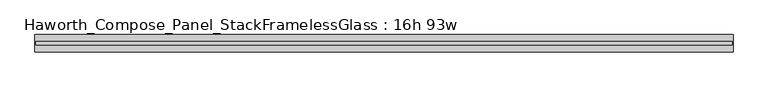
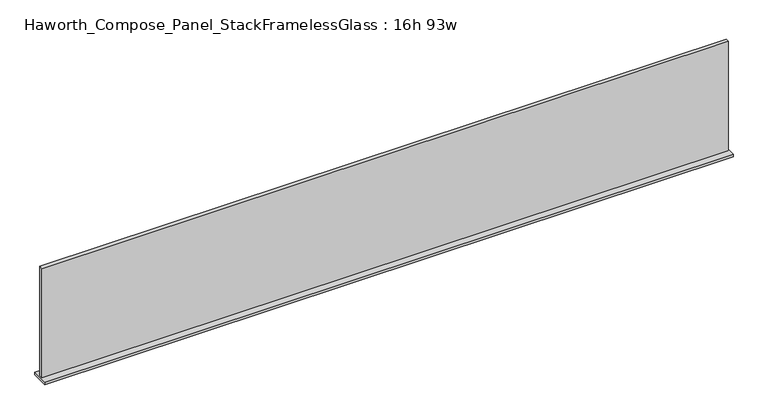
"""IFC4 building model written with IfcOpenShell, lengths in millimetres: furniture geometry, Haworth_Compose_Panel_StackFramelessGlass : 16h 93w."""

from ifc_helpers import new_model, si_unit, frame, origin, place, context, project, spatial, polyline, outline, extrude, source, transform, mapped, element, save


def haworth_compose_panel_stackframelessglass_16h_93w_81790851(model_context):
    return source(origin(), model_context, "Body", "SweptSolid", [
        extrude(outline(polyline([(1180.3652902, -27.3093594), (-1175.4847098, -27.3093594), (-1175.4847098, -14.6093594), (1180.3652902, -14.6093594), (1180.3652902, -27.3093594)])), frame((0.0, 0.0, 1279.525), z_axis=(0.0, 0.0, 1.0), x_axis=(1.0, 0.0, 0.0)), (0.0, 0.0, 1.0), 396.875),
        extrude(outline(polyline([(-1178.6597098, -50.3281094), (-1178.6597098, 8.4093906), (1183.5402902, 8.4093906), (1183.5402902, -50.3281094), (-1178.6597098, -50.3281094)])), frame((0.0, 0.0, 1270.0), z_axis=(0.0, 0.0, 1.0), x_axis=(1.0, 0.0, 0.0)), (0.0, 0.0, 1.0), 9.525),
    ])


if __name__ == "__main__":
    model = new_model("IFC4")
    model_context = context("Model", 3, world=origin())
    ifc_project = project(units=[si_unit("LENGTHUNIT", "METRE", prefix="MILLI")], contexts=[model_context])
    site = spatial("IfcSite", under=ifc_project)
    building = spatial("IfcBuilding", under=site)
    placement = place(None, origin())
    haworth_compose_panel_stackframelessglass_16h_93w_shape = haworth_compose_panel_stackframelessglass_16h_93w_81790851(model_context)
    element("IfcFurniture", 1, ObjectType="Haworth_Compose_Panel_StackFramelessGlass : 16h 93w", at=placement, inside=building, context=model_context, shape_type="MappedRepresentation", body=[
        mapped(haworth_compose_panel_stackframelessglass_16h_93w_shape, transform((0.0, 0.0, 0.0), x_axis=(1.0, 0.0, 0.0), y_axis=(0.0, 1.0, 0.0), z_axis=(0.0, 0.0, 1.0))),
    ])
    save(model, "model.ifc")
